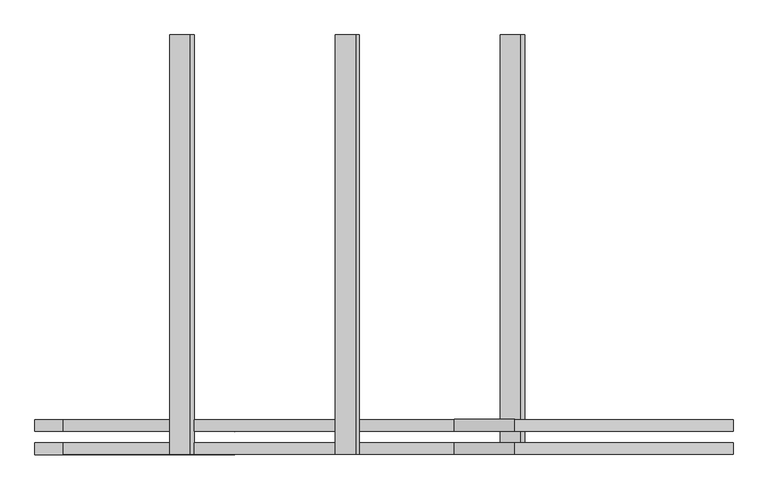
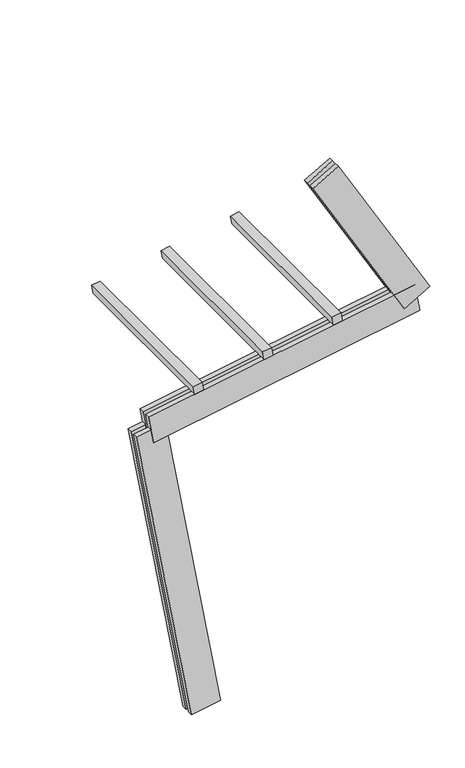
"""IFC4 building model written with IfcOpenShell, lengths in millimetres: proxy geometry."""

from ifc_helpers import new_model, si_unit, frame, origin, place, context, project, spatial, polyline, outline, extrude, source, transform, mapped, element, save


def generic_models_0b05a9e4(model_context):
    return source(origin(), model_context, "Body", "SweptSolid", [
        extrude(outline(polyline([(1500.0, 0.0), (0.0, 0.0), (0.0, 75.0), (1500.0, 75.0), (1500.0, 0.0)])), frame((-22.7724192, -62.5, 2864.5647867), z_axis=(-0.17364817766693003, 0.0, 0.9848077530122082), x_axis=(0.0, 1.0, 0.0)), (0.0, 0.0, 1.0), 75.0),
        extrude(outline(polyline([(1500.0, 0.0), (0.0, 0.0), (0.0, 75.0), (1500.0, 75.0), (1500.0, 0.0)])), frame((568.1122326, -62.5, 2968.7536933), z_axis=(-0.17364817766693003, 0.0, 0.9848077530122082), x_axis=(0.0, 1.0, 0.0)), (0.0, 0.0, 1.0), 75.0),
        extrude(outline(polyline([(1500.0, 0.0), (0.0, 0.0), (0.0, 75.0), (1500.0, 75.0), (1500.0, 0.0)])), frame((1158.9968844, -62.5, 3072.9425999), z_axis=(-0.17364817766693003, 0.0, 0.9848077530122082), x_axis=(0.0, 1.0, 0.0)), (0.0, 0.0, 1.0), 75.0),
        extrude(outline(polyline([(125.0, 0.0), (82.5, 0.0), (82.5, 250.0), (125.0, 250.0), (125.0, 0.0)])), frame((1687.9545768, 62.5, 2995.8717418), z_axis=(-0.49999999999999817, 0.0, 0.8660254037844397), x_axis=(0.0, -1.0, 0.0)), (0.0, 0.0, 1.0), 1560.0),
        extrude(outline(polyline([(0.0, 250.0), (42.5, 250.0), (42.5, 0.0), (0.0, 0.0), (0.0, 250.0)])), frame((1687.9545768, 62.5, 2995.8717418), z_axis=(-0.49999999999999817, 0.0, 0.8660254037844397), x_axis=(0.0, -1.0, 0.0)), (0.0, 0.0, 1.0), 1560.0),
        extrude(outline(polyline([(2300.0, 125.0), (2300.0, 82.5), (0.0, 82.5), (0.0, 125.0), (2300.0, 125.0)])), frame((1817.9137744, 62.5, 2935.2707726), z_axis=(-0.17364817766693003, 0.0, 0.9848077530122082), x_axis=(-0.9848077530122082, 0.0, -0.17364817766693003)), (0.0, 0.0, 1.0), 250.0),
        extrude(outline(polyline([(0.0, 0.0), (0.0, 42.5), (2300.0, 42.5), (2300.0, 0.0), (0.0, 0.0)])), frame((1817.9137744, 62.5, 2935.2707726), z_axis=(-0.17364817766693003, 0.0, 0.9848077530122082), x_axis=(-0.9848077530122082, 0.0, -0.17364817766693003)), (0.0, 0.0, 1.0), 250.0),
        extrude(outline(polyline([(-125.0, 249.9999999), (-82.5, 249.9999999), (-82.5, 0.0), (-125.0, 0.0), (-125.0, 249.9999999)])), frame((123.1009691, 62.5, 21.7060222), z_axis=(-0.17364817766693158, 0.0, 0.9848077530122079), x_axis=(0.0, 1.0, 0.0)), (0.0, 0.0, 1.0), 2700.0),
        extrude(outline(polyline([(0.0, 0.0), (-42.5, 0.0), (-42.5, 249.9999999), (0.0, 249.9999999), (0.0, 0.0)])), frame((123.1009691, 62.5, 21.7060222), z_axis=(-0.17364817766693158, 0.0, 0.9848077530122079), x_axis=(0.0, 1.0, 0.0)), (0.0, 0.0, 1.0), 2700.0),
    ])


if __name__ == "__main__":
    model = new_model("IFC4")
    model_context = context("Model", 3, world=origin())
    ifc_project = project(units=[si_unit("LENGTHUNIT", "METRE", prefix="MILLI")], contexts=[model_context])
    site = spatial("IfcSite", under=ifc_project)
    building = spatial("IfcBuilding", under=site)
    placement = place(None, origin())
    generic_models_shape = generic_models_0b05a9e4(model_context)
    element("IfcBuildingElementProxy", 1, Name="Generic Models", at=placement, inside=building, context=model_context, shape_type="MappedRepresentation", body=[
        mapped(generic_models_shape, transform((0.0, 0.0, 0.0), x_axis=(1.0, 0.0, 0.0), y_axis=(0.0, 1.0, 0.0), z_axis=(0.0, 0.0, 1.0))),
    ])
    save(model, "model.ifc")
